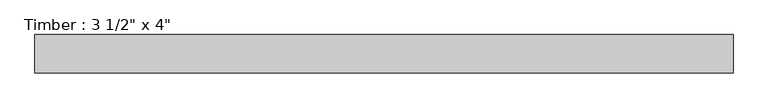
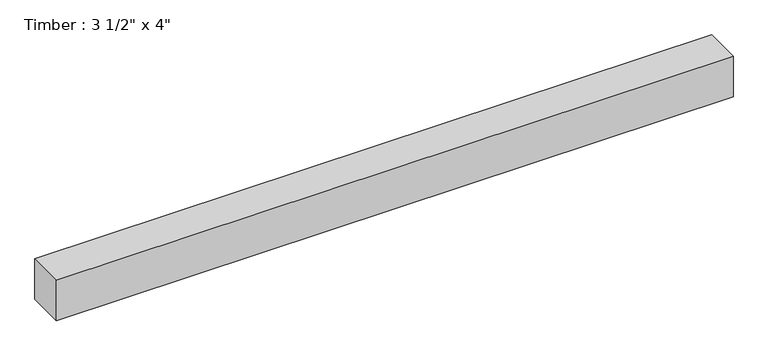
"""IFC4 building model written with IfcOpenShell, lengths in millimetres: beam geometry."""

from ifc_helpers import new_model, si_unit, frame, origin, place, context, project, spatial, polyline, outline, extrude, source, transform, mapped, element, save


def beam_40ab4f55(model_context):
    return source(origin(), model_context, "Body", "SweptSolid", [
        extrude(outline(polyline([(806.808607, -44.45), (-806.808607, -44.45), (-806.808607, 44.45), (806.808607, 44.45), (806.808607, -44.45)])), frame((0.0, 0.0, -50.8), z_axis=(0.0, 0.0, 1.0), x_axis=(1.0, 0.0, 0.0)), (0.0, 0.0, 1.0), 101.6),
    ])


if __name__ == "__main__":
    model = new_model("IFC4")
    model_context = context("Model", 3, world=origin())
    ifc_project = project(units=[si_unit("LENGTHUNIT", "METRE", prefix="MILLI")], contexts=[model_context])
    site = spatial("IfcSite", under=ifc_project)
    building = spatial("IfcBuilding", under=site)
    placement = place(None, origin())
    beam_shape = beam_40ab4f55(model_context)
    element("IfcBeam", 1, ObjectType="Timber : 3 1/2\" x 4\"", at=placement, inside=building, context=model_context, shape_type="MappedRepresentation", body=[
        mapped(beam_shape, transform((0.0, 0.0, 0.0), x_axis=(1.0, 0.0, 0.0), y_axis=(0.0, 1.0, 0.0), z_axis=(0.0, 0.0, 1.0))),
    ])
    save(model, "model.ifc")
